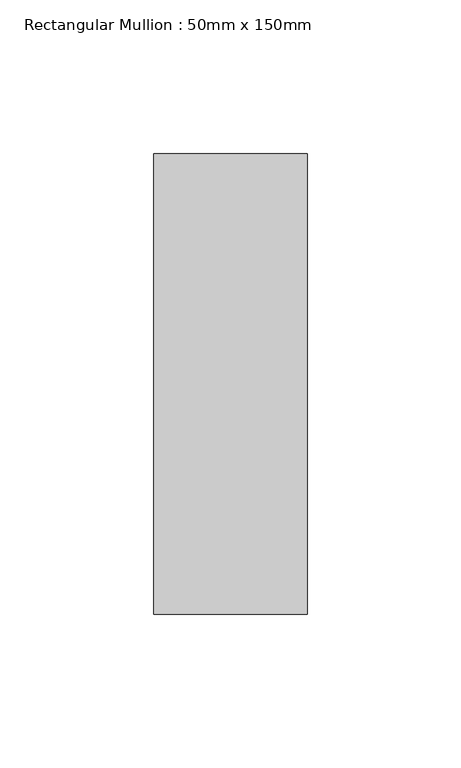
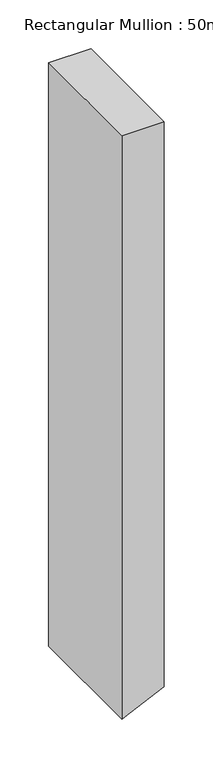
"""IFC4 building model written with IfcOpenShell, lengths in millimetres: member geometry, Rectangular Mullion : 50mm x 150mm."""

from ifc_helpers import new_model, si_unit, frame, origin, place, context, project, spatial, polyline, outline, extrude, source, transform, mapped, element, save


def rectangular_mullion_50mm_x_150mm_4160c984(model_context):
    return source(origin(), model_context, "Body", "SweptSolid", [
        extrude(outline(polyline([(0.0, 25.0), (0.0, -25.0), (-729.9720566, -25.0), (-728.13556, -21.0411824), (-706.7770425, 25.0), (0.0, 25.0)])), frame((0.0, -75.0, 0.0), z_axis=(0.0, 1.0, 0.0), x_axis=(0.0, 0.0, 1.0)), (0.0, 0.0, 1.0), 150.0),
    ])


if __name__ == "__main__":
    model = new_model("IFC4")
    model_context = context("Model", 3, world=origin())
    ifc_project = project(units=[si_unit("LENGTHUNIT", "METRE", prefix="MILLI")], contexts=[model_context])
    site = spatial("IfcSite", under=ifc_project)
    building = spatial("IfcBuilding", under=site)
    placement = place(None, origin())
    rectangular_mullion_50mm_x_150mm_shape = rectangular_mullion_50mm_x_150mm_4160c984(model_context)
    element("IfcMember", 1, ObjectType="Rectangular Mullion : 50mm x 150mm", at=placement, inside=building, context=model_context, shape_type="MappedRepresentation", body=[
        mapped(rectangular_mullion_50mm_x_150mm_shape, transform((0.0, 0.0, 0.0), x_axis=(1.0, 0.0, 0.0), y_axis=(0.0, 1.0, 0.0), z_axis=(0.0, 0.0, 1.0))),
    ])
    save(model, "model.ifc")
